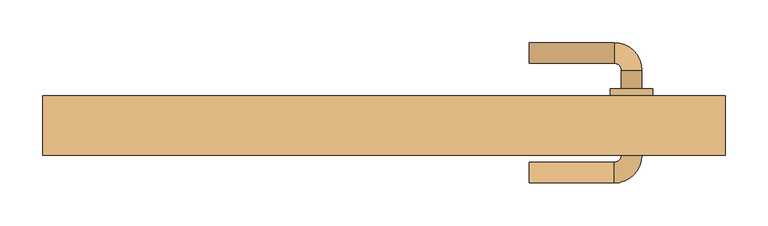
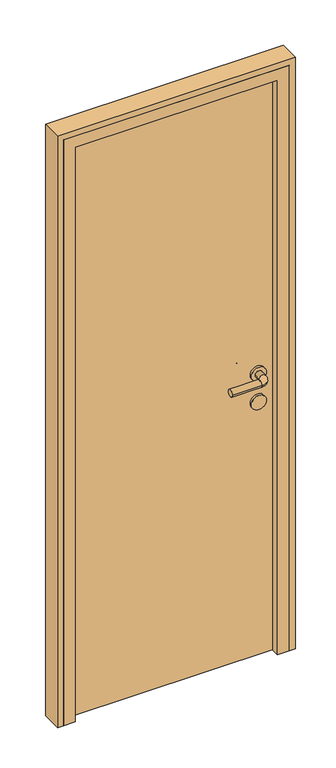
"""IFC4 building model written with IfcOpenShell, lengths in millimetres: door geometry."""

from ifc_helpers import new_model, si_unit, point, frame, frame_2d, origin, origin_with_axes, place, context, project, spatial, polyline, circle_curve, ellipse_curve, trimmed, segment, composite_curve, outline, extrude, faceted_brep, source, transform, mapped, element, save
from ifc_brep_helpers import plane_surface, cylinder_surface, revolved_surface, advanced_brep


def door_df5d70fa(model_context):
    return source(origin(), model_context, "Body", "SolidModel", [
        advanced_brep(
        [(170.0, 122.0, 1000.0), (170.0, 98.0, 1000.0), (270.0, 98.0, 1000.0), (270.0, 122.0, 1000.0), (278.0, 90.0, 1000.0), (302.0, 90.0, 1000.0), (302.0, -10.0, 1000.0), (302.0, 12.0, 1000.0), (278.0, 12.0, 1000.0), (278.0, -10.0, 1000.0), (278.0, 68.0, 1000.0), (302.0, 68.0, 1000.0), (270.0, -18.0, 1000.0), (270.0, -42.0, 1000.0), (170.0, -42.0, 1000.0), (170.0, -18.0, 1000.0), (315.0, 68.0, 1000.0), (265.0, 68.0, 1000.0), (315.0, 12.0, 1000.0), (265.0, 12.0, 1000.0)],
        [
            (0, 1, circle_curve(frame((170.0, 110.0, 1000.0), z_axis=(-1.0, 0.0, 0.0), x_axis=(0.0, -1.0, 0.0)), 12.0)),
            (1, 0, circle_curve(frame((170.0, 110.0, 1000.0), z_axis=(-1.0, 0.0, 0.0), x_axis=(0.0, -1.0, 0.0)), 12.0)),
            (1, 2),
            (2, 3, circle_curve(frame((270.0, 110.0, 1000.0), z_axis=(-1.0, 0.0, 0.0), x_axis=(0.0, -1.0, 0.0)), 12.0)),
            (3, 0),
            (3, 2, circle_curve(frame((270.0, 110.0, 1000.0), z_axis=(-1.0, 0.0, 0.0), x_axis=(0.0, -1.0, 0.0)), 12.0)),
            (2, 4, circle_curve(frame((270.0, 90.0, 1000.0), z_axis=(0.0, 0.0, -1.0), x_axis=(0.0, 1.0, 0.0)), 8.0)),
            (4, 5, circle_curve(frame((290.0, 90.0, 1000.0), z_axis=(0.0, 1.0, 0.0), x_axis=(-1.0, 0.0, 0.0)), 12.0)),
            (5, 3, circle_curve(frame((270.0, 90.0, 1000.0), z_axis=(0.0, 0.0, 1.0), x_axis=(0.0, 1.0, 0.0)), 32.0)),
            (5, 4, circle_curve(frame((290.0, 90.0, 1000.0), z_axis=(0.0, 1.0, 0.0), x_axis=(-1.0, 0.0, 0.0)), 12.0)),
            (6, 7),
            (7, 8, circle_curve(frame((290.0, 12.0, 1000.0), z_axis=(0.0, -1.0, 0.0), x_axis=(-1.0, 0.0, 0.0)), 12.0)),
            (8, 9),
            (9, 6, circle_curve(frame((290.0, -10.0, 1000.0), z_axis=(0.0, 1.0, 0.0), x_axis=(-1.0, 0.0, 0.0)), 12.0)),
            (4, 10),
            (10, 11, circle_curve(frame((290.0, 68.0, 1000.0), z_axis=(0.0, 1.0, 0.0), x_axis=(-1.0, 0.0, 0.0)), 12.0)),
            (11, 5),
            (11, 10, circle_curve(frame((290.0, 68.0, 1000.0), z_axis=(0.0, 1.0, 0.0), x_axis=(-1.0, 0.0, 0.0)), 12.0)),
            (8, 7, circle_curve(frame((290.0, 12.0, 1000.0), z_axis=(0.0, -1.0, 0.0), x_axis=(-1.0, 0.0, 0.0)), 12.0)),
            (6, 9, circle_curve(frame((290.0, -10.0, 1000.0), z_axis=(0.0, 1.0, 0.0), x_axis=(-1.0, 0.0, 0.0)), 12.0)),
            (9, 12, circle_curve(frame((270.0, -10.0, 1000.0), z_axis=(0.0, 0.0, -1.0), x_axis=(1.0, 0.0, 0.0)), 8.0)),
            (12, 13, circle_curve(frame((270.0, -30.0, 1000.0), z_axis=(1.0, 0.0, 0.0), x_axis=(0.0, 1.0, 0.0)), 12.0)),
            (13, 6, circle_curve(frame((270.0, -10.0, 1000.0), z_axis=(0.0, 0.0, 1.0), x_axis=(1.0, 0.0, 0.0)), 32.0)),
            (13, 12, circle_curve(frame((270.0, -30.0, 1000.0), z_axis=(1.0, 0.0, 0.0), x_axis=(0.0, 1.0, 0.0)), 12.0)),
            (14, 15, circle_curve(frame((170.0, -30.0, 1000.0), z_axis=(-1.0, 0.0, 0.0), x_axis=(0.0, 1.0, 0.0)), 12.0)),
            (15, 14, circle_curve(frame((170.0, -30.0, 1000.0), z_axis=(-1.0, 0.0, 0.0), x_axis=(0.0, 1.0, 0.0)), 12.0)),
            (12, 15),
            (14, 13),
            (16, 17, circle_curve(frame((290.0, 68.0, 1000.0), z_axis=(0.0, 1.0, 0.0), x_axis=(-1.0, 0.0, 0.0)), 25.0)),
            (17, 16, circle_curve(frame((290.0, 68.0, 1000.0), z_axis=(0.0, 1.0, 0.0), x_axis=(-1.0, 0.0, 0.0)), 25.0)),
            (18, 19, circle_curve(frame((290.0, 12.0, 1000.0), z_axis=(0.0, -1.0, 0.0), x_axis=(-1.0, 0.0, 0.0)), 25.0)),
            (19, 18, circle_curve(frame((290.0, 12.0, 1000.0), z_axis=(0.0, -1.0, 0.0), x_axis=(-1.0, 0.0, 0.0)), 25.0)),
            (16, 18),
            (19, 17),
        ],
        [
            plane_surface(frame((170.0, 110.0, 1000.0), z_axis=(-1.0, 0.0, 0.0), x_axis=(0.0, 0.0, 1.0))),
            cylinder_surface(frame((170.0, 110.0, 1000.0), z_axis=(-1.0, 0.0, 0.0), x_axis=(0.0, -1.0, 0.0)), 12.0),
            revolved_surface(trimmed(ellipse_curve(frame((270.0, 110.0, 1000.0), z_axis=(1.0, 0.0, 0.0), x_axis=(0.0, -1.0, 0.0)), 12.0, 12.0), [point((270.0, 122.0, 1000.0))], [point((270.0, 98.0, 1000.0))], True, "CARTESIAN"), (270.0, 90.0, 1000.0), (0.0, 0.0, 1.0)),
            revolved_surface(trimmed(ellipse_curve(frame((270.0, 110.0, 1000.0), z_axis=(1.0, 0.0, 0.0), x_axis=(0.0, -1.0, 0.0)), 12.0, 12.0), [point((270.0, 98.0, 1000.0))], [point((270.0, 122.0, 1000.0))], True, "CARTESIAN"), (270.0, 90.0, 1000.0), (0.0, 0.0, 1.0)),
            cylinder_surface(frame((290.0, 90.0, 1000.0), z_axis=(0.0, 1.0, 0.0), x_axis=(-1.0, 0.0, 0.0)), 12.0),
            revolved_surface(trimmed(ellipse_curve(frame((290.0, -10.0, 1000.0), z_axis=(0.0, -1.0, 0.0), x_axis=(-1.0, 0.0, 0.0)), 12.0, 12.0), [point((302.0, -10.0, 1000.0))], [point((278.0, -10.0, 1000.0))], True, "CARTESIAN"), (270.0, -10.0, 1000.0), (0.0, 0.0, 1.0)),
            revolved_surface(trimmed(ellipse_curve(frame((290.0, -10.0, 1000.0), z_axis=(0.0, -1.0, 0.0), x_axis=(-1.0, 0.0, 0.0)), 12.0, 12.0), [point((278.0, -10.0, 1000.0))], [point((302.0, -10.0, 1000.0))], True, "CARTESIAN"), (270.0, -10.0, 1000.0), (0.0, 0.0, 1.0)),
            plane_surface(frame((170.0, -30.0, 1000.0), z_axis=(-1.0, 0.0, 0.0), x_axis=(0.0, 0.0, 1.0))),
            cylinder_surface(frame((270.0, -30.0, 1000.0), z_axis=(1.0, 0.0, 0.0), x_axis=(0.0, 1.0, 0.0)), 12.0),
            plane_surface(frame((265.0, 68.0, 1000.0), z_axis=(0.0, 1.0, 0.0), x_axis=(0.0, 0.0, -1.0))),
            plane_surface(frame((265.0, 12.0, 1000.0), z_axis=(0.0, -1.0, 0.0), x_axis=(0.0, 0.0, 1.0))),
            cylinder_surface(frame((290.0, 68.0, 1000.0), z_axis=(0.0, -1.0, 0.0), x_axis=(-1.0, 0.0, 0.0)), 25.0),
        ],
        [
            (0, [[1, 2]]),
            (1, [[3, 4, 5, -2]]),
            (1, [[-5, 6, -3, -1]]),
            (2, [[7, 8, 9, -4]]),
            (3, [[-9, 10, -7, -6]]),
            (4, [[11, 12, 13, 14]]),
            (4, [[15, 16, 17, -8]]),
            (4, [[-17, 18, -15, -10]]),
            (4, [[-13, 19, -11, 20]]),
            (5, [[21, 22, 23, -14]]),
            (6, [[-23, 24, -21, -20]]),
            (7, [[25, 26]]),
            (8, [[27, -25, 28, -22]]),
            (8, [[-28, -26, -27, -24]]),
            (9, [[29, 30], [-18, -16]]),
            (10, [[31, 32], [-19, -12]]),
            (11, [[33, -32, 34, -29]]),
            (11, [[-34, -31, -33, -30]]),
        ],
    ),
        extrude(outline(composite_curve([segment(trimmed(circle_curve(frame_2d((900.0, 290.0)), 25.0), [point((900.0, 315.0))], [point((900.0, 265.0))], False, "CARTESIAN"), True, "CONTINUOUS"), segment(trimmed(circle_curve(frame_2d((900.0, 290.0)), 25.0), [point((900.0, 265.0))], [point((900.0, 315.0))], False, "CARTESIAN"), True, "CONTINUOUS")], self_intersect=False)), frame((0.0, 12.0, 0.0), z_axis=(0.0, 1.0, 0.0), x_axis=(0.0, 0.0, 1.0)), (0.0, 0.0, 1.0), 56.0),
        extrude(outline(polyline([(350.0, 20.0), (-350.0, 20.0), (-350.0, 60.0), (350.0, 60.0), (350.0, 20.0)])), origin_with_axes(), (0.0, 0.0, 1.0), 2050.0),
        extrude(outline(polyline([(0.0, 400.0), (2100.0, 400.0), (2100.0, -400.0), (0.0, -400.0), (0.0, -380.0), (2080.0, -380.0), (2080.0, 380.0), (0.0, 380.0), (0.0, 400.0)])), frame((0.0, -10.0, 0.0), z_axis=(0.0, 1.0, 0.0), x_axis=(0.0, 0.0, 1.0)), (0.0, 0.0, 1.0), 70.0),
        faceted_brep([(-380.0, -10.0, 0.0), (-380.0, 60.0, 0.0), (-350.0, 60.0, 0.0), (-350.0, 20.0, 0.0), (-340.0, 20.0, 0.0), (-340.0, -10.0, 0.0), (-380.0, -10.0, 2080.0), (-380.0, 60.0, 2080.0), (380.0, 60.0, 2080.0), (380.0, 60.0, 0.0), (350.0, 60.0, 0.0), (350.0, 60.0, 2050.0), (-350.0, 60.0, 2050.0), (-350.0, 20.0, 2050.0), (350.0, 20.0, 2050.0), (350.0, 20.0, 0.0), (340.0, 20.0, 0.0), (340.0, 20.0, 2040.0), (-340.0, 20.0, 2040.0), (-340.0, -10.0, 2040.0), (340.0, -10.0, 2040.0), (340.0, -10.0, 0.0), (380.0, -10.0, 0.0), (380.0, -10.0, 2080.0)], [[[0, 1, 2, 3, 4, 5]], [[1, 0, 6, 7]], [[2, 1, 7, 8, 9, 10, 11, 12]], [[3, 2, 12, 13]], [[4, 3, 13, 14, 15, 16, 17, 18]], [[5, 4, 18, 19]], [[0, 5, 19, 20, 21, 22, 23, 6]], [[7, 6, 23, 8]], [[13, 12, 11, 14]], [[19, 18, 17, 20]], [[22, 21, 16, 15, 10, 9]], [[8, 23, 22, 9]], [[14, 11, 10, 15]], [[20, 17, 16, 21]]]),
    ])


if __name__ == "__main__":
    model = new_model("IFC4")
    model_context = context("Model", 3, world=origin())
    ifc_project = project(units=[si_unit("LENGTHUNIT", "METRE", prefix="MILLI")], contexts=[model_context])
    site = spatial("IfcSite", under=ifc_project)
    building = spatial("IfcBuilding", under=site)
    placement = place(None, origin())
    door_shape = door_df5d70fa(model_context)
    element("IfcDoor", 1, at=placement, inside=building, context=model_context, shape_type="MappedRepresentation", body=[
        mapped(door_shape, transform((0.0, 0.0, 0.0), x_axis=(1.0, 0.0, 0.0), y_axis=(0.0, 1.0, 0.0), z_axis=(0.0, 0.0, 1.0))),
    ])
    save(model, "model.ifc")
